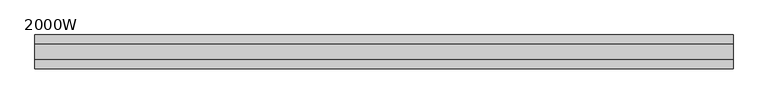
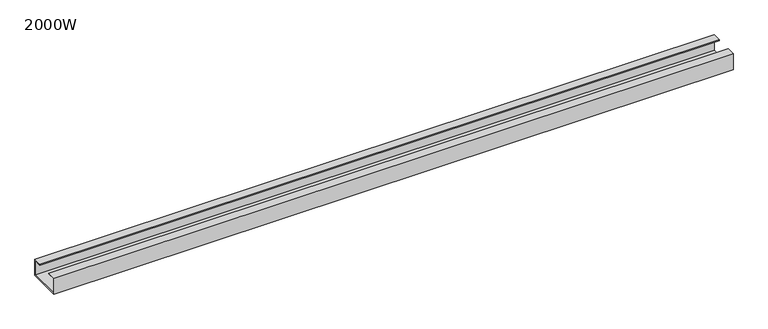
"""IFC4 building model written with IfcOpenShell, lengths in millimetres: furniture geometry, 2000W."""

import ifcopenshell
import ifcopenshell.guid

model = None  # the IFC model being written
_history = None  # IfcOwnerHistory: only IFC2X3 demands one
_inside = {}  # id of a spatial element -> (the spatial element, [elements in it])
_under = {}  # id of a project, library or spatial element -> (it, [spatial elements below it])
_declared = {}  # id of a project -> (the project, [libraries it declares])
_typed = {}  # id of a type object -> (the type object, [elements of that type])
_made_of = {}  # id of a material, layer set ... -> (it, [elements and type objects made of it])


def new_model(schema):
    """Start an empty IFC model of exactly this schema.

    Asked for "IFC4X3", IfcOpenShell would pick the latest addendum, in which some entities
    have other attributes; the version numbers below select the first issue.
    IFC2X3 requires an IfcOwnerHistory on every rooted entity: one is made here for all.
    """
    global model, _history
    if schema == "IFC4X3":
        model = ifcopenshell.file(schema_version=(4, 3, 0, 0))
    else:
        model = ifcopenshell.file(schema=schema)
    _inside.clear()
    _under.clear()
    _declared.clear()
    _typed.clear()
    _made_of.clear()
    _history = None
    if model.schema == "IFC2X3":
        org = make("IfcOrganization", Name="unknown")
        user = make(
            "IfcPersonAndOrganization",
            ThePerson=make("IfcPerson", FamilyName="unknown"),
            TheOrganization=org,
        )
        app = make(
            "IfcApplication",
            ApplicationDeveloper=org,
            Version="unknown",
            ApplicationFullName="unknown",
            ApplicationIdentifier="unknown",
        )
        _history = make(
            "IfcOwnerHistory",
            OwningUser=user,
            OwningApplication=app,
            ChangeAction="ADDED",
            CreationDate=0,
        )
    return model


def make(cls, **values):
    """One entity of the class cls with the attributes given. An attribute that is None is left unset."""
    return model.create_entity(
        cls, **{name: value for name, value in values.items() if value is not None}
    )


def rooted(cls, **values):
    """An entity with a GlobalId (a new one), such as an element, a storey or a relation."""
    return make(cls, GlobalId=ifcopenshell.guid.new(), OwnerHistory=_history, **values)


def si_unit(unit_type, name, prefix=None):
    """IfcSIUnit, for example si_unit("LENGTHUNIT", "METRE", prefix="MILLI")."""
    return make("IfcSIUnit", UnitType=unit_type, Prefix=prefix, Name=name)


def assignment(units):
    """IfcUnitAssignment: the units of a project."""
    return None if units is None else make("IfcUnitAssignment", Units=units)


def point(xyz):
    """IfcCartesianPoint."""
    return None if xyz is None else make("IfcCartesianPoint", Coordinates=xyz)


def direction(xyz):
    """IfcDirection."""
    return None if xyz is None else make("IfcDirection", DirectionRatios=xyz)


def frame(location, z_axis=None, x_axis=None):
    """IfcAxis2Placement3D, a coordinate frame: its origin and axes. An axis left out is left unset."""
    return make(
        "IfcAxis2Placement3D",
        Location=point(location),
        Axis=direction(z_axis),
        RefDirection=direction(x_axis),
    )


def origin():
    """The frame at (0, 0, 0) with its axes left unset."""
    return frame((0.0, 0.0, 0.0))


def place(relative_to, where):
    """IfcLocalPlacement: puts the frame where relative to a parent placement (None: the world)."""
    return make(
        "IfcLocalPlacement", PlacementRelTo=relative_to, RelativePlacement=where
    )


def context(
    kind, dimensions, precision=None, world=None, true_north=None, identifier=None
):
    """IfcGeometricRepresentationContext, for example the 3D "Model" context."""
    return make(
        "IfcGeometricRepresentationContext",
        ContextIdentifier=identifier,
        ContextType=kind,
        CoordinateSpaceDimension=dimensions,
        Precision=precision,
        WorldCoordinateSystem=world,
        TrueNorth=true_north,
    )


def project(units=None, contexts=None):
    """IfcProject with its units and contexts."""
    return rooted(
        "IfcProject",
        Name="project",
        RepresentationContexts=contexts,
        UnitsInContext=assignment(units),
    )


def spatial(cls, under=None, at=None, **own):
    """A site, building, storey or space (cls), placed at a placement, below another one or the project."""
    s = rooted(cls, ObjectPlacement=at, **own)
    if under is not None:
        _under.setdefault(under.id(), (under, []))[1].append(s)
    return s


def polyline(points):
    """IfcPolyline through the points."""
    return make("IfcPolyline", Points=[point(p) for p in points])


def outline(outer, holes=None, kind="AREA"):
    """IfcArbitraryClosedProfileDef: a profile drawn as a closed curve; with holes, ...WithVoids."""
    if holes is None:
        return make("IfcArbitraryClosedProfileDef", ProfileType=kind, OuterCurve=outer)
    return make(
        "IfcArbitraryProfileDefWithVoids",
        ProfileType=kind,
        OuterCurve=outer,
        InnerCurves=holes,
    )


def extrude(swept, where, along, depth):
    """IfcExtrudedAreaSolid: the profile swept, set in the frame where, extruded along a direction by depth."""
    return make(
        "IfcExtrudedAreaSolid",
        SweptArea=swept,
        Position=where,
        ExtrudedDirection=direction(along),
        Depth=depth,
    )


def shape(context_of_items, identifier, shape_type, items):
    """IfcShapeRepresentation: the items that make up one representation, for example the "Body"."""
    return make(
        "IfcShapeRepresentation",
        ContextOfItems=context_of_items,
        RepresentationIdentifier=identifier,
        RepresentationType=shape_type,
        Items=items,
    )


def source(mapping_origin, context_of_items, identifier, shape_type, items):
    """IfcRepresentationMap: a shape defined once, which mapped items show again and again."""
    return make(
        "IfcRepresentationMap",
        MappingOrigin=mapping_origin,
        MappedRepresentation=shape(context_of_items, identifier, shape_type, items),
    )


def transform(
    local_origin,
    x_axis=None,
    y_axis=None,
    z_axis=None,
    scale=None,
    scale2=None,
    scale3=None,
    uniform=True,
):
    """IfcCartesianTransformationOperator3D, or its non-uniform kind. x_axis, y_axis, z_axis: its Axis1, 2, 3."""
    if uniform:
        return make(
            "IfcCartesianTransformationOperator3D",
            Axis1=direction(x_axis),
            Axis2=direction(y_axis),
            LocalOrigin=point(local_origin),
            Scale=scale,
            Axis3=direction(z_axis),
        )
    return make(
        "IfcCartesianTransformationOperator3DnonUniform",
        Axis1=direction(x_axis),
        Axis2=direction(y_axis),
        LocalOrigin=point(local_origin),
        Scale=scale,
        Axis3=direction(z_axis),
        Scale2=scale2,
        Scale3=scale3,
    )


def mapped(mapping_source, mapping_target):
    """IfcMappedItem: shows the shape of a source again, moved by a transform."""
    return make(
        "IfcMappedItem", MappingSource=mapping_source, MappingTarget=mapping_target
    )


def made_of(thing, what):
    """Note that an element or type object is made of a material, layer set ...; save() writes the relation."""
    if what is not None:
        _made_of.setdefault(what.id(), (what, []))[1].append(thing)
    return thing


def element(
    cls,
    number,
    at=None,
    inside=None,
    cuts=None,
    type_object=None,
    material=None,
    context=None,
    identifier="Body",
    shape_type=None,
    held_by="IfcProductDefinitionShape",
    body=None,
    shapes=None,
    **own,
):
    """One element of the class cls, such as IfcWall. Its Tag is "e" and its number.

    at: its placement. inside: the storey or other place that contains it. cuts: it is an
    opening in that element (IfcRelVoidsElement). A single representation is given by context,
    identifier, shape_type and body (its items); several are given by shapes. held_by: the class
    of the entity that holds the representations. save() writes the other relations.
    """
    e = rooted(cls, Tag="e%d" % number, ObjectPlacement=at, **own)
    if body is not None:
        shapes = [shape(context, identifier, shape_type, body)]
    if shapes is not None:
        e.Representation = make(held_by, Representations=shapes)
    if inside is not None:
        _inside.setdefault(inside.id(), (inside, []))[1].append(e)
    if cuts is not None:
        rooted(
            "IfcRelVoidsElement", RelatingBuildingElement=cuts, RelatedOpeningElement=e
        )
    if type_object is not None:
        _typed.setdefault(type_object.id(), (type_object, []))[1].append(e)
    return made_of(e, material)


def aggregate(whole, parts):
    """IfcRelAggregates: a whole, such as a stair, and the parts it consists of."""
    return rooted("IfcRelAggregates", RelatingObject=whole, RelatedObjects=parts)


def save(model, path):
    """Write the relations noted so far, then the file.

    IfcRelAggregates (storeys below a building ...), IfcRelContainedInSpatialStructure (elements
    in a storey), IfcRelDefinesByType, IfcRelAssociatesMaterial and IfcRelDeclares: one each for
    every whole, place, type object, material and project.
    """
    for whole, parts in _under.values():
        aggregate(whole, parts)
    for where, things in _inside.values():
        rooted(
            "IfcRelContainedInSpatialStructure",
            RelatedElements=things,
            RelatingStructure=where,
        )
    for kind, things in _typed.values():
        rooted("IfcRelDefinesByType", RelatedObjects=things, RelatingType=kind)
    for what, things in _made_of.values():
        rooted("IfcRelAssociatesMaterial", RelatedObjects=things, RelatingMaterial=what)
    for by, libraries in _declared.values():
        rooted("IfcRelDeclares", RelatingContext=by, RelatedDefinitions=libraries)
    model.write(path)


def furniture_2000w_f44540a4(model_context):
    return source(origin(), model_context, "Body", "SweptSolid", [
        extrude(outline(polyline([(47.3, 665.0), (-47.3, 665.0), (-47.3, 713.0), (-22.0, 713.0), (-22.0, 711.0), (-45.3, 711.0), (-45.3, 667.0), (45.3, 667.0), (45.3, 711.0), (22.0, 711.0), (22.0, 713.0), (47.3, 713.0), (47.3, 665.0)])), frame((-975.0, 0.0, 0.0), z_axis=(1.0, 0.0, 0.0), x_axis=(0.0, 1.0, 0.0)), (0.0, 0.0, 1.0), 1950.0),
    ])


if __name__ == "__main__":
    model = new_model("IFC4")
    model_context = context("Model", 3, world=origin())
    ifc_project = project(units=[si_unit("LENGTHUNIT", "METRE", prefix="MILLI")], contexts=[model_context])
    site = spatial("IfcSite", under=ifc_project)
    building = spatial("IfcBuilding", under=site)
    placement = place(None, origin())
    furniture_2000w_shape = furniture_2000w_f44540a4(model_context)
    element("IfcFurniture", 1, ObjectType="2000W", at=placement, inside=building, context=model_context, shape_type="MappedRepresentation", body=[
        mapped(furniture_2000w_shape, transform((0.0, 0.0, 0.0), x_axis=(1.0, 0.0, 0.0), y_axis=(0.0, 1.0, 0.0), z_axis=(0.0, 0.0, 1.0))),
    ])
    save(model, "model.ifc")
